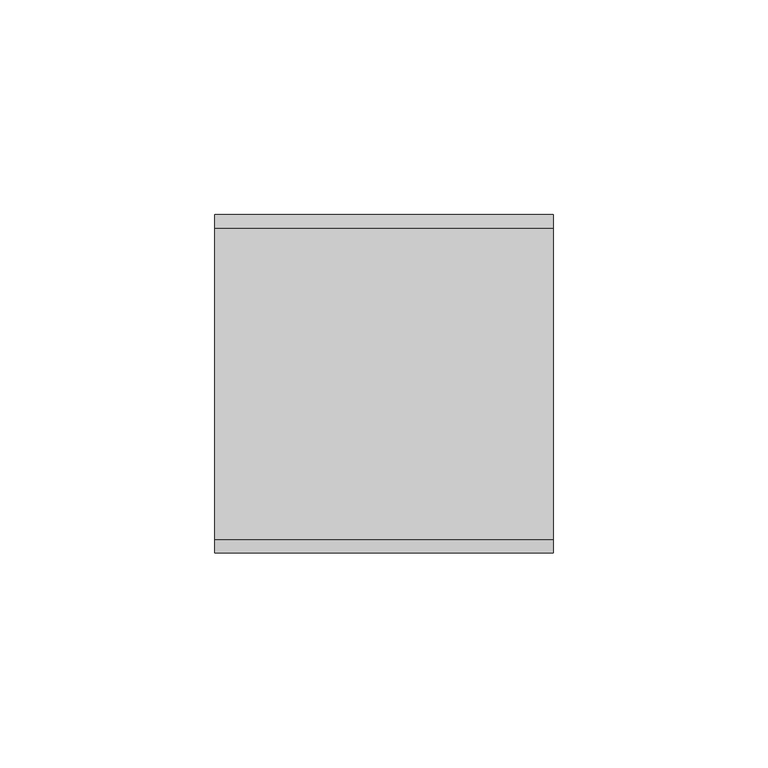
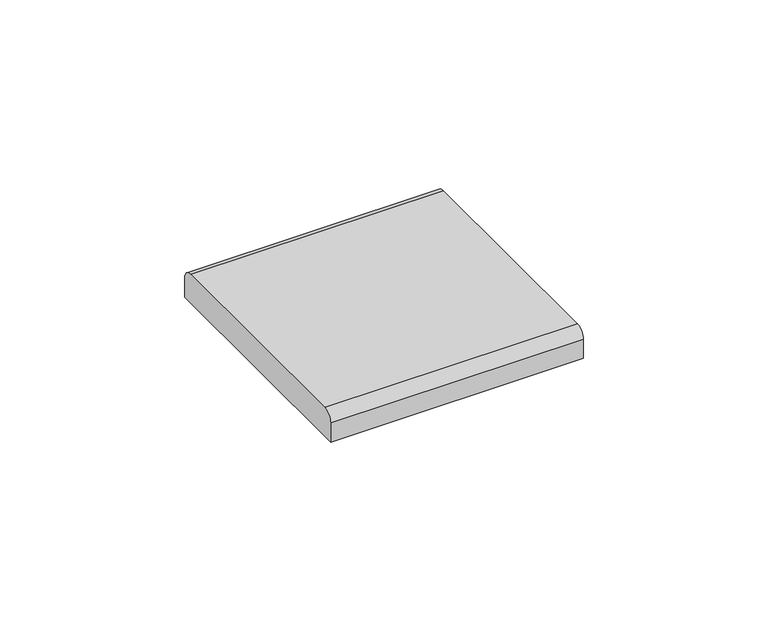
"""IFC4 building model written with IfcOpenShell, lengths in millimetres: furniture geometry."""

from ifc_helpers import new_model, si_unit, point, frame, frame_2d, origin, place, context, project, spatial, polyline, circle_curve, trimmed, segment, composite_curve, outline, extrude, source, transform, mapped, element, save


def furniture_ed355286(model_context):
    return source(origin(), model_context, "Body", "SweptSolid", [
        extrude(outline(composite_curve([segment(polyline([(-39.4890618, 1709.1421875), (-39.4890618, 1715.4921883)]), True, "CONTINUOUS"), segment(trimmed(circle_curve(frame_2d((-36.3140625, 1715.4921883)), 3.1749992), [point((-39.4890618, 1715.4921883))], [point((-36.3140625, 1718.6671875))], False, "CARTESIAN"), True, "CONTINUOUS"), segment(polyline([(-36.3140625, 1718.6671875), (36.3140633, 1718.6671875)]), True, "CONTINUOUS"), segment(trimmed(circle_curve(frame_2d((36.3140633, 1715.4921883)), 3.1749992), [point((36.3140633, 1718.6671875))], [point((39.4890625, 1715.4921883))], False, "CARTESIAN"), True, "CONTINUOUS"), segment(polyline([(39.4890625, 1715.4921883), (39.4890625, 1709.1421875), (-39.4890618, 1709.1421875)]), True, "CONTINUOUS")], self_intersect=False)), frame((-39.4890625, 0.0, 0.0), z_axis=(1.0, 0.0, 0.0), x_axis=(0.0, 1.0, 0.0)), (0.0, 0.0, 1.0), 78.978125),
    ])


if __name__ == "__main__":
    model = new_model("IFC4")
    model_context = context("Model", 3, world=origin())
    ifc_project = project(units=[si_unit("LENGTHUNIT", "METRE", prefix="MILLI")], contexts=[model_context])
    site = spatial("IfcSite", under=ifc_project)
    building = spatial("IfcBuilding", under=site)
    placement = place(None, origin())
    furniture_shape = furniture_ed355286(model_context)
    element("IfcFurniture", 1, at=placement, inside=building, context=model_context, shape_type="MappedRepresentation", body=[
        mapped(furniture_shape, transform((0.0, 0.0, 0.0), x_axis=(1.0, 0.0, 0.0), y_axis=(0.0, 1.0, 0.0), z_axis=(0.0, 0.0, 1.0))),
    ])
    save(model, "model.ifc")
